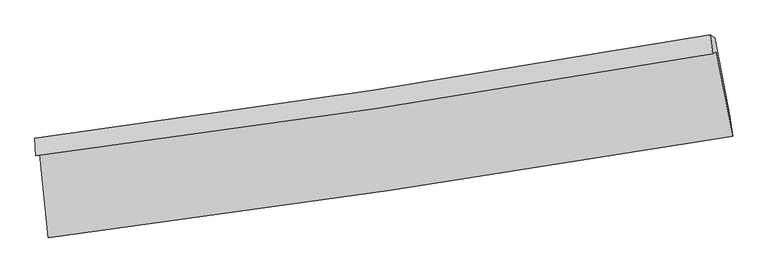
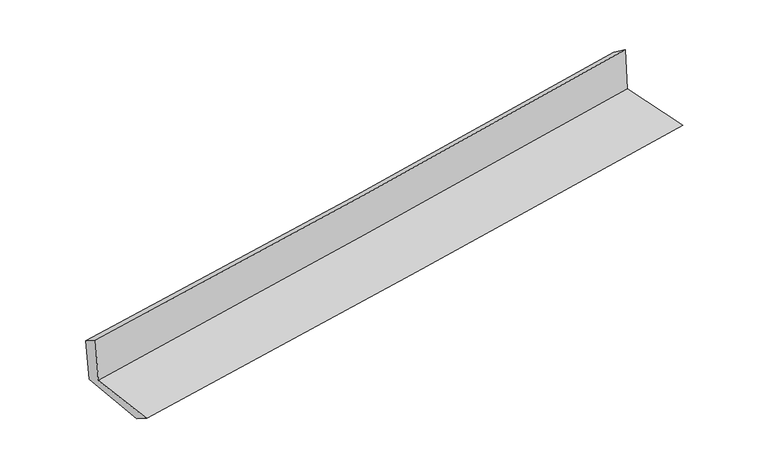
"""IFC4 building model written with IfcOpenShell, lengths in millimetres: proxy geometry."""

from ifc_helpers import new_model, si_unit, frame, origin, place, context, project, spatial, source, transform, mapped, element, save
from ifc_brep_helpers import plane_surface, spline_curve, spline_surface, advanced_brep


def generic_models_62950d79(model_context):
    return source(origin(), model_context, "Body", "AdvancedBrep", [
        advanced_brep(
        [(-2719.791381, -1892.8251549, 1629.8532529), (-2652.1716365, -2555.6292523, 1634.3171135), (2800.0365147, -1748.211958, 2120.3123107), (2671.3233014, -1073.4739668, 2111.6700955), (-2752.5520912, -1903.9973993, 2042.8079115), (2640.7517495, -1090.8956952, 2516.6362858), (-2759.8284989, -1761.989366, 1954.0233648), (2620.9267437, -940.9591871, 2409.9096238), (-2727.9174872, -1762.9160143, 1566.5319798), (2658.7024988, -964.7594956, 2013.3444802), (-2659.9242033, -2404.6020726, 1540.0645184), (2779.0650341, -1589.1433543, 2006.3569583)],
        [
            (0, 1),
            (1, 2, spline_curve(3, [(-2652.1716365, -2555.6292523, 1634.3171135), (-1742.932165398, -2438.204741417, 1725.406635145), (-834.073756005, -2312.226423264, 1811.44225072), (983.329337591, -2043.095770964, 1973.445639713), (1891.873645263, -1899.934991189, 2049.408423438), (2800.0365147, -1748.211958, 2120.3123107)], [4, 2, 4], [0.0, 9.02659686468396, 18.057648996927686])),
            (2, 3),
            (3, 0, spline_curve(3, [(2671.3233014, -1073.4739668, 2111.6700955), (1774.605151386, -1226.812603136, 2041.738837501), (876.875426658, -1371.775967295, 1966.610616799), (-920.163798542, -1644.884768425, 1805.999876433), (-1819.472301329, -1773.038466964, 1720.522482956), (-2719.791381, -1892.8251549, 1629.8532529)], [4, 2, 4], [0.0, 9.031052132243726, 18.057648996927686])),
            (4, 0),
            (3, 5),
            (5, 4, spline_curve(3, [(2640.7517495, -1090.8956952, 2516.6362858), (1744.572266902, -1248.627530386, 2445.325107528), (846.929289578, -1395.265904759, 2370.173131226), (-950.840100912, -1666.28886359, 2212.226551093), (-1850.965070487, -1790.684390596, 2129.435736203), (-2752.5520912, -1903.9973993, 2042.8079115)], [4, 2, 4], [0.0, 8.983367913894245, 17.962304084171226])),
            (6, 4),
            (5, 7),
            (7, 6, spline_curve(3, [(2620.9267437, -940.9591871, 2409.9096238), (1727.175012995, -1096.60860646, 2335.982498856), (831.791844745, -1242.86706203, 2261.018786043), (-961.794845653, -1516.534525255, 2109.055677005), (-1859.996757899, -1643.952795777, 2032.057303681), (-2759.8284989, -1761.989366, 1954.0233648)], [4, 2, 4], [0.0, 8.97335101739794, 17.942275232790443])),
            (8, 6),
            (7, 9),
            (9, 8, spline_curve(3, [(2658.7024988, -964.7594956, 2013.3444802), (1764.979700171, -1124.383602013, 1937.824860994), (869.122024541, -1270.721831809, 1862.821617038), (-926.420076801, -1536.760899189, 1713.884626392), (-1826.10239619, -1656.474842458, 1639.950370254), (-2727.9174872, -1762.9160143, 1566.5319798)], [4, 2, 4], [0.0, 8.964481210410165, 17.924539994535767])),
            (10, 8),
            (9, 11),
            (11, 10, spline_curve(3, [(2779.0650341, -1589.1433543, 2006.3569583), (1874.998226553, -1749.089130128, 1932.496964852), (969.603564249, -1897.030716476, 1856.699199522), (-843.394157977, -2168.83844805, 1701.266474966), (-1750.995908424, -2292.716434503, 1621.633426837), (-2659.9242033, -2404.6020726, 1540.0645184)], [4, 2, 4], [0.0, 9.011790591567612, 18.0191354178257])),
            (1, 10),
            (11, 2),
        ],
        [
            spline_surface(3, 3, [[(-2719.791381, -1892.8251549, 1629.8532529), (-1819.472301288, -1773.038467016, 1720.522482864), (-920.163798586, -1644.884768481, 1805.999876349), (876.875426703, -1371.775967239, 1966.610616884), (1774.605151481, -1226.812603094, 2041.738837621), (2671.3233014, -1073.4739668, 2111.6700955)], [(-2697.251466166, -2113.759854022, 1631.341206412), (-1793.95892261, -1994.760558476, 1722.150533582), (-891.467117671, -1867.331986739, 1807.814001093), (912.360063633, -1595.549235185, 1968.888957859), (1813.694649382, -1451.186732449, 2044.295366196), (2714.227705855, -1298.386630545, 2114.550833895)], [(-2674.711551334, -2334.694553178, 1632.829159988), (-1768.445543934, -2216.482649969, 1723.778584362), (-862.77043679, -2089.779204945, 1809.628125859), (947.84470053, -1819.322503078, 1971.167298855), (1852.784147217, -1675.56086177, 2046.851894788), (2757.132110245, -1523.299294255, 2117.431572305)], [(-2652.1716365, -2555.6292523, 1634.3171135), (-1742.932165256, -2438.204741429, 1725.406635079), (-834.073755875, -2312.226423203, 1811.442250603), (983.329337461, -2043.095771024, 1973.44563983), (1891.873645118, -1899.934991125, 2049.408423363), (2800.0365147, -1748.211958, 2120.3123107)]], [4, 4], [4, 2, 4], [0.0, 2.218662703806596], [0.0, 9.02659686468396, 18.057648996927686]),
            spline_surface(3, 3, [[(-2752.5520912, -1903.9973993, 2042.8079115), (-1850.965070376, -1790.684390517, 2129.435736128), (-950.840100923, -1666.288863488, 2212.226551137), (846.92928959, -1395.265904861, 2370.173131181), (1744.572267029, -1248.627530487, 2445.325107602), (2640.7517495, -1090.8956952, 2516.6362858)], [(-2741.631854467, -1900.273317861, 1905.156358641), (-1840.46748068, -1784.802416044, 1993.131318381), (-940.614666835, -1659.154165166, 2076.817659544), (856.911335269, -1387.435925668, 2235.652293085), (1754.583228503, -1241.355888021, 2310.796350937), (2650.942266789, -1085.088452399, 2381.647555695)], [(-2730.711617733, -1896.549236339, 1767.504805759), (-1829.969890984, -1778.920441489, 1856.826900611), (-930.389232674, -1652.019466803, 1941.408767942), (866.893381023, -1379.605946433, 2101.13145498), (1764.594190008, -1234.084245559, 2176.267594286), (2661.132784111, -1079.281209601, 2246.658825605)], [(-2719.791381, -1892.8251549, 1629.8532529), (-1819.472301288, -1773.038467016, 1720.522482864), (-920.163798586, -1644.884768481, 1805.999876349), (876.875426703, -1371.775967239, 1966.610616884), (1774.605151481, -1226.812603094, 2041.738837621), (2671.3233014, -1073.4739668, 2111.6700955)]], [4, 4], [4, 2, 4], [0.0, 1.3341435746454706], [0.0, 8.978936170276981, 17.962304084171226]),
            spline_surface(3, 3, [[(-2759.8284989, -1761.989366, 1954.0233648), (-1859.996757971, -1643.952795806, 2032.05730366), (-961.794845511, -1516.53452512, 2109.055677115), (831.791844602, -1242.867062164, 2261.018785933), (1727.175013055, -1096.608606579, 2335.982498847), (2620.9267437, -940.9591871, 2409.9096238)], [(-2757.40302969, -1809.325377086, 1983.618213695), (-1856.986195463, -1692.863327362, 2064.516781144), (-958.143263984, -1566.4526379, 2143.445968473), (836.837659595, -1293.666676387, 2297.4035677), (1732.974097718, -1147.281581233, 2372.430035113), (2627.535078971, -990.938023152, 2445.485177814)], [(-2754.97756041, -1856.661388214, 2013.213062605), (-1853.975632884, -1741.773858961, 2096.976258644), (-954.49168245, -1616.370750708, 2177.836259779), (841.883474596, -1344.466290638, 2333.788349414), (1738.773182367, -1197.954555832, 2408.877571336), (2634.143414229, -1040.916859148, 2481.060731786)], [(-2752.5520912, -1903.9973993, 2042.8079115), (-1850.965070376, -1790.684390517, 2129.435736128), (-950.840100923, -1666.288863488, 2212.226551137), (846.92928959, -1395.265904861, 2370.173131181), (1744.572267029, -1248.627530487, 2445.325107602), (2640.7517495, -1090.8956952, 2516.6362858)]], [4, 4], [4, 2, 4], [0.0, 0.6073132750336832], [0.0, 8.968924215392503, 17.942275232790443]),
            spline_surface(3, 3, [[(-2727.9174872, -1762.9160143, 1566.5319798), (-1826.102396317, -1656.474842473, 1639.95037011), (-926.420076739, -1536.760899279, 1713.884626322), (869.122024478, -1270.721831718, 1862.821617109), (1764.979700202, -1124.383602028, 1937.824861006), (2658.7024988, -964.7594956, 2013.3444802)], [(-2738.554491087, -1762.607131521, 1695.695774814), (-1837.400516855, -1652.300826905, 1770.652681307), (-938.211666324, -1530.018774543, 1845.608309895), (856.678631191, -1261.436908517, 1995.554006693), (1752.378137794, -1115.125270192, 2070.544073604), (2646.110580407, -956.826059414, 2145.532861384)], [(-2749.191495013, -1762.298248779, 1824.859569786), (-1848.698637433, -1648.126811375, 1901.354992463), (-950.003255925, -1523.276649856, 1977.331993542), (844.235237889, -1252.151985366, 2128.286396349), (1739.776575464, -1105.866938414, 2203.263286249), (2633.518662093, -948.892623286, 2277.721242616)], [(-2759.8284989, -1761.989366, 1954.0233648), (-1859.996757971, -1643.952795806, 2032.05730366), (-961.794845511, -1516.53452512, 2109.055677115), (831.791844602, -1242.867062164, 2261.018785933), (1727.175013055, -1096.608606579, 2335.982498847), (2620.9267437, -940.9591871, 2409.9096238)]], [4, 4], [4, 2, 4], [0.0, 1.3092913010582379], [0.0, 8.960058784125602, 17.924539994535767]),
            spline_surface(3, 3, [[(-2659.9242033, -2404.6020726, 1540.0645184), (-1750.995908293, -2292.716434568, 1621.633426757), (-843.394158009, -2168.83844811, 1701.266474869), (969.603564281, -1897.030716416, 1856.699199619), (1874.998226441, -1749.089130113, 1932.496964789), (2779.0650341, -1589.1433543, 2006.3569583)], [(-2682.588631265, -2190.706719834, 1548.88700554), (-1776.0314043, -2080.635903871, 1627.739074548), (-871.069464232, -1958.145931851, 1705.472525377), (936.109717701, -1688.261088202, 1858.740005472), (1838.325384367, -1540.85395408, 1934.272930205), (2738.944189005, -1381.015401395, 2008.686132277)], [(-2705.253059235, -1976.811367066, 1557.70949266), (-1801.06690031, -1868.555373171, 1633.844722319), (-898.744770516, -1747.453415538, 1709.678575814), (902.615871058, -1479.491459933, 1860.780811255), (1801.652542276, -1332.618778061, 1936.04889559), (2698.823343895, -1172.887448505, 2011.015306223)], [(-2727.9174872, -1762.9160143, 1566.5319798), (-1826.102396317, -1656.474842473, 1639.95037011), (-926.420076739, -1536.760899279, 1713.884626322), (869.122024478, -1270.721831718, 1862.821617109), (1764.979700202, -1124.383602028, 1937.824861006), (2658.7024988, -964.7594956, 2013.3444802)]], [4, 4], [4, 2, 4], [0.0, 2.0863397784877002], [0.0, 9.00734482625809, 18.0191354178257]),
            spline_surface(3, 3, [[(-2652.1716365, -2555.6292523, 1634.3171135), (-1742.932165256, -2438.204741429, 1725.406635079), (-834.073755875, -2312.226423203, 1811.442250603), (983.329337461, -2043.095771024, 1973.44563983), (1891.873645118, -1899.934991125, 2049.408423363), (2800.0365147, -1748.211958, 2120.3123107)], [(-2654.755825425, -2505.286859077, 1602.899581798), (-1745.620079594, -2389.708639152, 1690.815565636), (-837.180556596, -2264.430431482, 1774.716992013), (978.754079724, -1994.407419465, 1934.530159747), (1886.248505564, -1849.653037449, 2010.437937174), (2793.046021172, -1695.189090095, 2082.327193235)], [(-2657.340014375, -2454.944465823, 1571.482050102), (-1748.307993955, -2341.212536845, 1656.224496199), (-840.287357288, -2216.634439831, 1737.99173346), (974.178822017, -1945.719067976, 1895.614679702), (1880.623365994, -1799.371083789, 1971.467450978), (2786.055527628, -1642.166222205, 2044.342075765)], [(-2659.9242033, -2404.6020726, 1540.0645184), (-1750.995908293, -2292.716434568, 1621.633426757), (-843.394158009, -2168.83844811, 1701.266474869), (969.603564281, -1897.030716416, 1856.699199619), (1874.998226441, -1749.089130113, 1932.496964789), (2779.0650341, -1589.1433543, 2006.3569583)]], [4, 4], [4, 2, 4], [0.0, 0.6045347281288539], [0.0, 9.06390190596036, 18.13227749217164]),
            plane_surface(frame((2695.134307, -1234.5739428, 2196.3716257), z_axis=(0.9787880422528694, 0.18776375455335484, 0.08196792554909933), x_axis=(-0.09465931948831884, 0.0596393374788936, 0.9937216726322754))),
            plane_surface(frame((-2712.030883, -2046.9932099, 1727.9330235), z_axis=(-0.9914786662000653, -0.10169962395338941, -0.08140786791139294), x_axis=(-0.10149161349077007, 0.9948138338164314, -0.0066998834686728135))),
        ],
        [
            (0, [[1, 2, 3, 4]]),
            (1, [[5, -4, 6, 7]]),
            (2, [[8, -7, 9, 10]]),
            (3, [[11, -10, 12, 13]]),
            (4, [[14, -13, 15, 16]]),
            (5, [[17, -16, 18, -2]]),
            (6, [[-12, -9, -6, -3, -18, -15]]),
            (7, [[-1, -5, -8, -11, -14, -17]]),
        ],
    ),
    ])


if __name__ == "__main__":
    model = new_model("IFC4")
    model_context = context("Model", 3, world=origin())
    ifc_project = project(units=[si_unit("LENGTHUNIT", "METRE", prefix="MILLI")], contexts=[model_context])
    site = spatial("IfcSite", under=ifc_project)
    building = spatial("IfcBuilding", under=site)
    placement = place(None, origin())
    generic_models_shape = generic_models_62950d79(model_context)
    element("IfcBuildingElementProxy", 1, Name="Generic Models", at=placement, inside=building, context=model_context, shape_type="MappedRepresentation", body=[
        mapped(generic_models_shape, transform((0.0, 0.0, 0.0), x_axis=(1.0, 0.0, 0.0), y_axis=(0.0, 1.0, 0.0), z_axis=(0.0, 0.0, 1.0))),
    ])
    save(model, "model.ifc")
